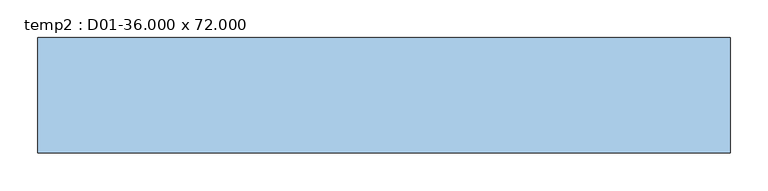
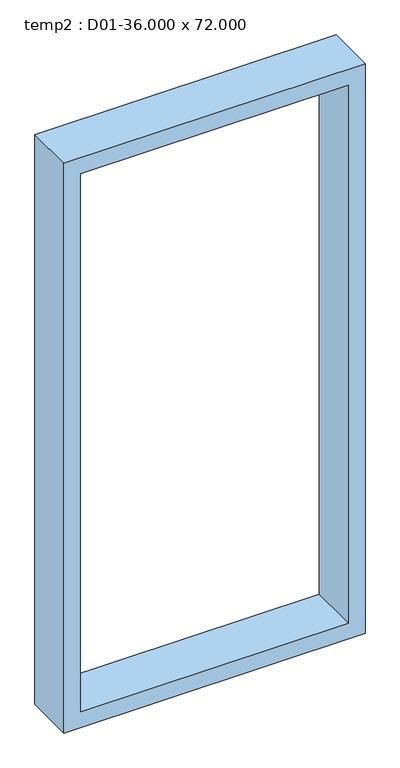
"""IFC4 building model written with IfcOpenShell, lengths in millimetres: window geometry, temp2 : D01-36.000 x 72.000."""

from ifc_helpers import new_model, si_unit, frame, origin, place, context, project, spatial, polyline, outline, extrude, source, transform, mapped, element, save


def temp2_d01_36_000_x_72_000_835d64b7(model_context):
    return source(origin(), model_context, "Body", "SweptSolid", [
        extrude(outline(polyline([(2743.2, -457.2), (914.4, -457.2), (914.4, 457.2), (2743.2, 457.2), (2743.2, -457.2)]), holes=[polyline([(965.2, -406.4), (2692.4, -406.4), (2692.4, 406.4), (965.2, 406.4), (965.2, -406.4)])]), frame((0.0, -76.2, 0.0), z_axis=(0.0, 1.0, 0.0), x_axis=(0.0, 0.0, 1.0)), (0.0, 0.0, 1.0), 152.4),
    ])


if __name__ == "__main__":
    model = new_model("IFC4")
    model_context = context("Model", 3, world=origin())
    ifc_project = project(units=[si_unit("LENGTHUNIT", "METRE", prefix="MILLI")], contexts=[model_context])
    site = spatial("IfcSite", under=ifc_project)
    building = spatial("IfcBuilding", under=site)
    placement = place(None, origin())
    temp2_d01_36_000_x_72_000_shape = temp2_d01_36_000_x_72_000_835d64b7(model_context)
    element("IfcWindow", 1, ObjectType="temp2 : D01-36.000 x 72.000", at=placement, inside=building, context=model_context, shape_type="MappedRepresentation", body=[
        mapped(temp2_d01_36_000_x_72_000_shape, transform((0.0, 0.0, 0.0), x_axis=(1.0, 0.0, 0.0), y_axis=(0.0, 1.0, 0.0), z_axis=(0.0, 0.0, 1.0))),
    ])
    save(model, "model.ifc")
